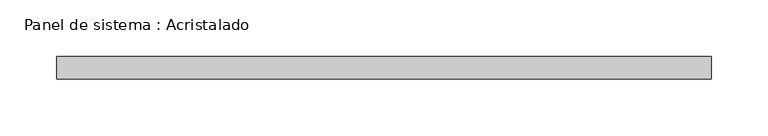
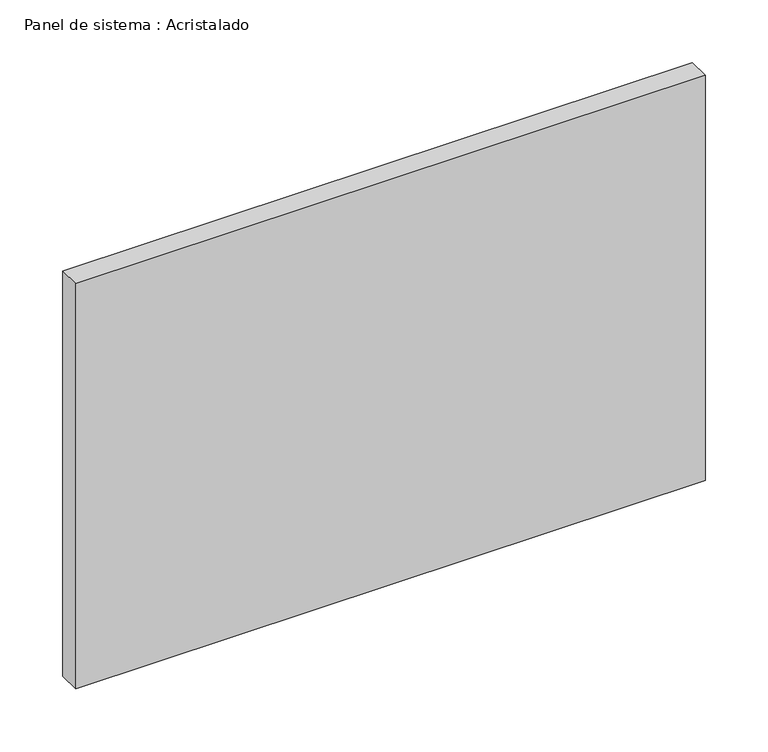
"""IFC4 building model written with IfcOpenShell, lengths in millimetres: plate geometry, Panel de sistema : Acristalado."""

import ifcopenshell
import ifcopenshell.guid

model = None  # the IFC model being written
_history = None  # IfcOwnerHistory: only IFC2X3 demands one
_inside = {}  # id of a spatial element -> (the spatial element, [elements in it])
_under = {}  # id of a project, library or spatial element -> (it, [spatial elements below it])
_declared = {}  # id of a project -> (the project, [libraries it declares])
_typed = {}  # id of a type object -> (the type object, [elements of that type])
_made_of = {}  # id of a material, layer set ... -> (it, [elements and type objects made of it])


def new_model(schema):
    """Start an empty IFC model of exactly this schema.

    Asked for "IFC4X3", IfcOpenShell would pick the latest addendum, in which some entities
    have other attributes; the version numbers below select the first issue.
    IFC2X3 requires an IfcOwnerHistory on every rooted entity: one is made here for all.
    """
    global model, _history
    if schema == "IFC4X3":
        model = ifcopenshell.file(schema_version=(4, 3, 0, 0))
    else:
        model = ifcopenshell.file(schema=schema)
    _inside.clear()
    _under.clear()
    _declared.clear()
    _typed.clear()
    _made_of.clear()
    _history = None
    if model.schema == "IFC2X3":
        org = make("IfcOrganization", Name="unknown")
        user = make(
            "IfcPersonAndOrganization",
            ThePerson=make("IfcPerson", FamilyName="unknown"),
            TheOrganization=org,
        )
        app = make(
            "IfcApplication",
            ApplicationDeveloper=org,
            Version="unknown",
            ApplicationFullName="unknown",
            ApplicationIdentifier="unknown",
        )
        _history = make(
            "IfcOwnerHistory",
            OwningUser=user,
            OwningApplication=app,
            ChangeAction="ADDED",
            CreationDate=0,
        )
    return model


def make(cls, **values):
    """One entity of the class cls with the attributes given. An attribute that is None is left unset."""
    return model.create_entity(
        cls, **{name: value for name, value in values.items() if value is not None}
    )


def rooted(cls, **values):
    """An entity with a GlobalId (a new one), such as an element, a storey or a relation."""
    return make(cls, GlobalId=ifcopenshell.guid.new(), OwnerHistory=_history, **values)


def si_unit(unit_type, name, prefix=None):
    """IfcSIUnit, for example si_unit("LENGTHUNIT", "METRE", prefix="MILLI")."""
    return make("IfcSIUnit", UnitType=unit_type, Prefix=prefix, Name=name)


def assignment(units):
    """IfcUnitAssignment: the units of a project."""
    return None if units is None else make("IfcUnitAssignment", Units=units)


def point(xyz):
    """IfcCartesianPoint."""
    return None if xyz is None else make("IfcCartesianPoint", Coordinates=xyz)


def direction(xyz):
    """IfcDirection."""
    return None if xyz is None else make("IfcDirection", DirectionRatios=xyz)


def frame(location, z_axis=None, x_axis=None):
    """IfcAxis2Placement3D, a coordinate frame: its origin and axes. An axis left out is left unset."""
    return make(
        "IfcAxis2Placement3D",
        Location=point(location),
        Axis=direction(z_axis),
        RefDirection=direction(x_axis),
    )


def origin():
    """The frame at (0, 0, 0) with its axes left unset."""
    return frame((0.0, 0.0, 0.0))


def origin_with_axes():
    """The frame at (0, 0, 0) with the z axis (0, 0, 1) and the x axis (1, 0, 0) written out."""
    return frame((0.0, 0.0, 0.0), z_axis=(0.0, 0.0, 1.0), x_axis=(1.0, 0.0, 0.0))


def place(relative_to, where):
    """IfcLocalPlacement: puts the frame where relative to a parent placement (None: the world)."""
    return make(
        "IfcLocalPlacement", PlacementRelTo=relative_to, RelativePlacement=where
    )


def context(
    kind, dimensions, precision=None, world=None, true_north=None, identifier=None
):
    """IfcGeometricRepresentationContext, for example the 3D "Model" context."""
    return make(
        "IfcGeometricRepresentationContext",
        ContextIdentifier=identifier,
        ContextType=kind,
        CoordinateSpaceDimension=dimensions,
        Precision=precision,
        WorldCoordinateSystem=world,
        TrueNorth=true_north,
    )


def project(units=None, contexts=None):
    """IfcProject with its units and contexts."""
    return rooted(
        "IfcProject",
        Name="project",
        RepresentationContexts=contexts,
        UnitsInContext=assignment(units),
    )


def spatial(cls, under=None, at=None, **own):
    """A site, building, storey or space (cls), placed at a placement, below another one or the project."""
    s = rooted(cls, ObjectPlacement=at, **own)
    if under is not None:
        _under.setdefault(under.id(), (under, []))[1].append(s)
    return s


def polyline(points):
    """IfcPolyline through the points."""
    return make("IfcPolyline", Points=[point(p) for p in points])


def outline(outer, holes=None, kind="AREA"):
    """IfcArbitraryClosedProfileDef: a profile drawn as a closed curve; with holes, ...WithVoids."""
    if holes is None:
        return make("IfcArbitraryClosedProfileDef", ProfileType=kind, OuterCurve=outer)
    return make(
        "IfcArbitraryProfileDefWithVoids",
        ProfileType=kind,
        OuterCurve=outer,
        InnerCurves=holes,
    )


def extrude(swept, where, along, depth):
    """IfcExtrudedAreaSolid: the profile swept, set in the frame where, extruded along a direction by depth."""
    return make(
        "IfcExtrudedAreaSolid",
        SweptArea=swept,
        Position=where,
        ExtrudedDirection=direction(along),
        Depth=depth,
    )


def shape(context_of_items, identifier, shape_type, items):
    """IfcShapeRepresentation: the items that make up one representation, for example the "Body"."""
    return make(
        "IfcShapeRepresentation",
        ContextOfItems=context_of_items,
        RepresentationIdentifier=identifier,
        RepresentationType=shape_type,
        Items=items,
    )


def source(mapping_origin, context_of_items, identifier, shape_type, items):
    """IfcRepresentationMap: a shape defined once, which mapped items show again and again."""
    return make(
        "IfcRepresentationMap",
        MappingOrigin=mapping_origin,
        MappedRepresentation=shape(context_of_items, identifier, shape_type, items),
    )


def transform(
    local_origin,
    x_axis=None,
    y_axis=None,
    z_axis=None,
    scale=None,
    scale2=None,
    scale3=None,
    uniform=True,
):
    """IfcCartesianTransformationOperator3D, or its non-uniform kind. x_axis, y_axis, z_axis: its Axis1, 2, 3."""
    if uniform:
        return make(
            "IfcCartesianTransformationOperator3D",
            Axis1=direction(x_axis),
            Axis2=direction(y_axis),
            LocalOrigin=point(local_origin),
            Scale=scale,
            Axis3=direction(z_axis),
        )
    return make(
        "IfcCartesianTransformationOperator3DnonUniform",
        Axis1=direction(x_axis),
        Axis2=direction(y_axis),
        LocalOrigin=point(local_origin),
        Scale=scale,
        Axis3=direction(z_axis),
        Scale2=scale2,
        Scale3=scale3,
    )


def mapped(mapping_source, mapping_target):
    """IfcMappedItem: shows the shape of a source again, moved by a transform."""
    return make(
        "IfcMappedItem", MappingSource=mapping_source, MappingTarget=mapping_target
    )


def made_of(thing, what):
    """Note that an element or type object is made of a material, layer set ...; save() writes the relation."""
    if what is not None:
        _made_of.setdefault(what.id(), (what, []))[1].append(thing)
    return thing


def element(
    cls,
    number,
    at=None,
    inside=None,
    cuts=None,
    type_object=None,
    material=None,
    context=None,
    identifier="Body",
    shape_type=None,
    held_by="IfcProductDefinitionShape",
    body=None,
    shapes=None,
    **own,
):
    """One element of the class cls, such as IfcWall. Its Tag is "e" and its number.

    at: its placement. inside: the storey or other place that contains it. cuts: it is an
    opening in that element (IfcRelVoidsElement). A single representation is given by context,
    identifier, shape_type and body (its items); several are given by shapes. held_by: the class
    of the entity that holds the representations. save() writes the other relations.
    """
    e = rooted(cls, Tag="e%d" % number, ObjectPlacement=at, **own)
    if body is not None:
        shapes = [shape(context, identifier, shape_type, body)]
    if shapes is not None:
        e.Representation = make(held_by, Representations=shapes)
    if inside is not None:
        _inside.setdefault(inside.id(), (inside, []))[1].append(e)
    if cuts is not None:
        rooted(
            "IfcRelVoidsElement", RelatingBuildingElement=cuts, RelatedOpeningElement=e
        )
    if type_object is not None:
        _typed.setdefault(type_object.id(), (type_object, []))[1].append(e)
    return made_of(e, material)


def aggregate(whole, parts):
    """IfcRelAggregates: a whole, such as a stair, and the parts it consists of."""
    return rooted("IfcRelAggregates", RelatingObject=whole, RelatedObjects=parts)


def save(model, path):
    """Write the relations noted so far, then the file.

    IfcRelAggregates (storeys below a building ...), IfcRelContainedInSpatialStructure (elements
    in a storey), IfcRelDefinesByType, IfcRelAssociatesMaterial and IfcRelDeclares: one each for
    every whole, place, type object, material and project.
    """
    for whole, parts in _under.values():
        aggregate(whole, parts)
    for where, things in _inside.values():
        rooted(
            "IfcRelContainedInSpatialStructure",
            RelatedElements=things,
            RelatingStructure=where,
        )
    for kind, things in _typed.values():
        rooted("IfcRelDefinesByType", RelatedObjects=things, RelatingType=kind)
    for what, things in _made_of.values():
        rooted("IfcRelAssociatesMaterial", RelatedObjects=things, RelatingMaterial=what)
    for by, libraries in _declared.values():
        rooted("IfcRelDeclares", RelatingContext=by, RelatedDefinitions=libraries)
    model.write(path)


def panel_de_sistema_acristalado_fc91a6ee(model_context):
    return source(origin(), model_context, "Body", "SweptSolid", [
        extrude(outline(polyline([(288.5, -10.0), (-288.5, -10.0), (-288.5, 10.0), (288.5, 10.0), (288.5, -10.0)])), origin_with_axes(), (0.0, 0.0, 1.0), 392.7452144),
    ])


if __name__ == "__main__":
    model = new_model("IFC4")
    model_context = context("Model", 3, world=origin())
    ifc_project = project(units=[si_unit("LENGTHUNIT", "METRE", prefix="MILLI")], contexts=[model_context])
    site = spatial("IfcSite", under=ifc_project)
    building = spatial("IfcBuilding", under=site)
    placement = place(None, origin())
    panel_de_sistema_acristalado_shape = panel_de_sistema_acristalado_fc91a6ee(model_context)
    element("IfcPlate", 1, ObjectType="Panel de sistema : Acristalado", at=placement, inside=building, context=model_context, shape_type="MappedRepresentation", body=[
        mapped(panel_de_sistema_acristalado_shape, transform((0.0, 0.0, 0.0), x_axis=(1.0, 0.0, 0.0), y_axis=(0.0, 1.0, 0.0), z_axis=(0.0, 0.0, 1.0))),
    ])
    save(model, "model.ifc")
